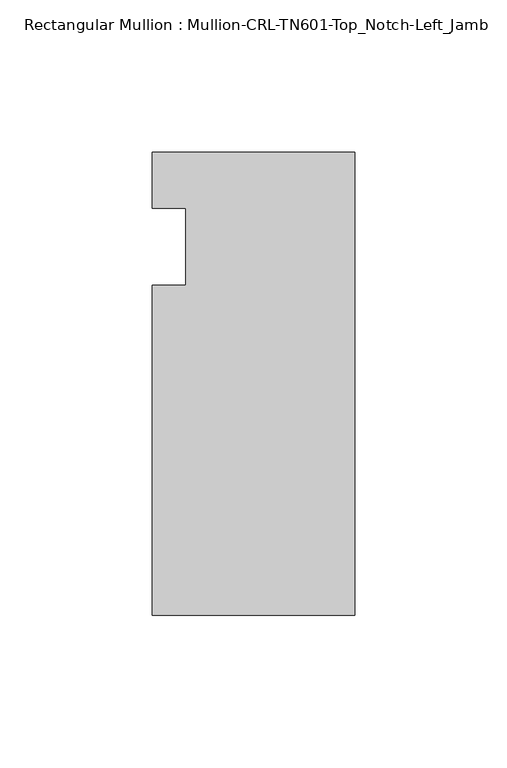
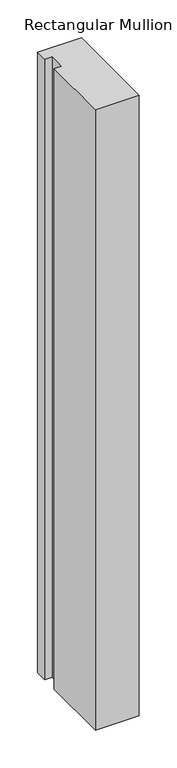
"""IFC4 building model written with IfcOpenShell, lengths in millimetres: member geometry, Rectangular Mullion : Mullion-CRL-TN601-Top_Notch-Left_Jamb."""

import ifcopenshell
import ifcopenshell.guid

model = None  # the IFC model being written
_history = None  # IfcOwnerHistory: only IFC2X3 demands one
_inside = {}  # id of a spatial element -> (the spatial element, [elements in it])
_under = {}  # id of a project, library or spatial element -> (it, [spatial elements below it])
_declared = {}  # id of a project -> (the project, [libraries it declares])
_typed = {}  # id of a type object -> (the type object, [elements of that type])
_made_of = {}  # id of a material, layer set ... -> (it, [elements and type objects made of it])


def new_model(schema):
    """Start an empty IFC model of exactly this schema.

    Asked for "IFC4X3", IfcOpenShell would pick the latest addendum, in which some entities
    have other attributes; the version numbers below select the first issue.
    IFC2X3 requires an IfcOwnerHistory on every rooted entity: one is made here for all.
    """
    global model, _history
    if schema == "IFC4X3":
        model = ifcopenshell.file(schema_version=(4, 3, 0, 0))
    else:
        model = ifcopenshell.file(schema=schema)
    _inside.clear()
    _under.clear()
    _declared.clear()
    _typed.clear()
    _made_of.clear()
    _history = None
    if model.schema == "IFC2X3":
        org = make("IfcOrganization", Name="unknown")
        user = make(
            "IfcPersonAndOrganization",
            ThePerson=make("IfcPerson", FamilyName="unknown"),
            TheOrganization=org,
        )
        app = make(
            "IfcApplication",
            ApplicationDeveloper=org,
            Version="unknown",
            ApplicationFullName="unknown",
            ApplicationIdentifier="unknown",
        )
        _history = make(
            "IfcOwnerHistory",
            OwningUser=user,
            OwningApplication=app,
            ChangeAction="ADDED",
            CreationDate=0,
        )
    return model


def make(cls, **values):
    """One entity of the class cls with the attributes given. An attribute that is None is left unset."""
    return model.create_entity(
        cls, **{name: value for name, value in values.items() if value is not None}
    )


def rooted(cls, **values):
    """An entity with a GlobalId (a new one), such as an element, a storey or a relation."""
    return make(cls, GlobalId=ifcopenshell.guid.new(), OwnerHistory=_history, **values)


def si_unit(unit_type, name, prefix=None):
    """IfcSIUnit, for example si_unit("LENGTHUNIT", "METRE", prefix="MILLI")."""
    return make("IfcSIUnit", UnitType=unit_type, Prefix=prefix, Name=name)


def assignment(units):
    """IfcUnitAssignment: the units of a project."""
    return None if units is None else make("IfcUnitAssignment", Units=units)


def point(xyz):
    """IfcCartesianPoint."""
    return None if xyz is None else make("IfcCartesianPoint", Coordinates=xyz)


def direction(xyz):
    """IfcDirection."""
    return None if xyz is None else make("IfcDirection", DirectionRatios=xyz)


def frame(location, z_axis=None, x_axis=None):
    """IfcAxis2Placement3D, a coordinate frame: its origin and axes. An axis left out is left unset."""
    return make(
        "IfcAxis2Placement3D",
        Location=point(location),
        Axis=direction(z_axis),
        RefDirection=direction(x_axis),
    )


def origin():
    """The frame at (0, 0, 0) with its axes left unset."""
    return frame((0.0, 0.0, 0.0))


def place(relative_to, where):
    """IfcLocalPlacement: puts the frame where relative to a parent placement (None: the world)."""
    return make(
        "IfcLocalPlacement", PlacementRelTo=relative_to, RelativePlacement=where
    )


def context(
    kind, dimensions, precision=None, world=None, true_north=None, identifier=None
):
    """IfcGeometricRepresentationContext, for example the 3D "Model" context."""
    return make(
        "IfcGeometricRepresentationContext",
        ContextIdentifier=identifier,
        ContextType=kind,
        CoordinateSpaceDimension=dimensions,
        Precision=precision,
        WorldCoordinateSystem=world,
        TrueNorth=true_north,
    )


def project(units=None, contexts=None):
    """IfcProject with its units and contexts."""
    return rooted(
        "IfcProject",
        Name="project",
        RepresentationContexts=contexts,
        UnitsInContext=assignment(units),
    )


def spatial(cls, under=None, at=None, **own):
    """A site, building, storey or space (cls), placed at a placement, below another one or the project."""
    s = rooted(cls, ObjectPlacement=at, **own)
    if under is not None:
        _under.setdefault(under.id(), (under, []))[1].append(s)
    return s


def polyline(points):
    """IfcPolyline through the points."""
    return make("IfcPolyline", Points=[point(p) for p in points])


def outline(outer, holes=None, kind="AREA"):
    """IfcArbitraryClosedProfileDef: a profile drawn as a closed curve; with holes, ...WithVoids."""
    if holes is None:
        return make("IfcArbitraryClosedProfileDef", ProfileType=kind, OuterCurve=outer)
    return make(
        "IfcArbitraryProfileDefWithVoids",
        ProfileType=kind,
        OuterCurve=outer,
        InnerCurves=holes,
    )


def extrude(swept, where, along, depth):
    """IfcExtrudedAreaSolid: the profile swept, set in the frame where, extruded along a direction by depth."""
    return make(
        "IfcExtrudedAreaSolid",
        SweptArea=swept,
        Position=where,
        ExtrudedDirection=direction(along),
        Depth=depth,
    )


def shape(context_of_items, identifier, shape_type, items):
    """IfcShapeRepresentation: the items that make up one representation, for example the "Body"."""
    return make(
        "IfcShapeRepresentation",
        ContextOfItems=context_of_items,
        RepresentationIdentifier=identifier,
        RepresentationType=shape_type,
        Items=items,
    )


def source(mapping_origin, context_of_items, identifier, shape_type, items):
    """IfcRepresentationMap: a shape defined once, which mapped items show again and again."""
    return make(
        "IfcRepresentationMap",
        MappingOrigin=mapping_origin,
        MappedRepresentation=shape(context_of_items, identifier, shape_type, items),
    )


def transform(
    local_origin,
    x_axis=None,
    y_axis=None,
    z_axis=None,
    scale=None,
    scale2=None,
    scale3=None,
    uniform=True,
):
    """IfcCartesianTransformationOperator3D, or its non-uniform kind. x_axis, y_axis, z_axis: its Axis1, 2, 3."""
    if uniform:
        return make(
            "IfcCartesianTransformationOperator3D",
            Axis1=direction(x_axis),
            Axis2=direction(y_axis),
            LocalOrigin=point(local_origin),
            Scale=scale,
            Axis3=direction(z_axis),
        )
    return make(
        "IfcCartesianTransformationOperator3DnonUniform",
        Axis1=direction(x_axis),
        Axis2=direction(y_axis),
        LocalOrigin=point(local_origin),
        Scale=scale,
        Axis3=direction(z_axis),
        Scale2=scale2,
        Scale3=scale3,
    )


def mapped(mapping_source, mapping_target):
    """IfcMappedItem: shows the shape of a source again, moved by a transform."""
    return make(
        "IfcMappedItem", MappingSource=mapping_source, MappingTarget=mapping_target
    )


def made_of(thing, what):
    """Note that an element or type object is made of a material, layer set ...; save() writes the relation."""
    if what is not None:
        _made_of.setdefault(what.id(), (what, []))[1].append(thing)
    return thing


def element(
    cls,
    number,
    at=None,
    inside=None,
    cuts=None,
    type_object=None,
    material=None,
    context=None,
    identifier="Body",
    shape_type=None,
    held_by="IfcProductDefinitionShape",
    body=None,
    shapes=None,
    **own,
):
    """One element of the class cls, such as IfcWall. Its Tag is "e" and its number.

    at: its placement. inside: the storey or other place that contains it. cuts: it is an
    opening in that element (IfcRelVoidsElement). A single representation is given by context,
    identifier, shape_type and body (its items); several are given by shapes. held_by: the class
    of the entity that holds the representations. save() writes the other relations.
    """
    e = rooted(cls, Tag="e%d" % number, ObjectPlacement=at, **own)
    if body is not None:
        shapes = [shape(context, identifier, shape_type, body)]
    if shapes is not None:
        e.Representation = make(held_by, Representations=shapes)
    if inside is not None:
        _inside.setdefault(inside.id(), (inside, []))[1].append(e)
    if cuts is not None:
        rooted(
            "IfcRelVoidsElement", RelatingBuildingElement=cuts, RelatedOpeningElement=e
        )
    if type_object is not None:
        _typed.setdefault(type_object.id(), (type_object, []))[1].append(e)
    return made_of(e, material)


def aggregate(whole, parts):
    """IfcRelAggregates: a whole, such as a stair, and the parts it consists of."""
    return rooted("IfcRelAggregates", RelatingObject=whole, RelatedObjects=parts)


def save(model, path):
    """Write the relations noted so far, then the file.

    IfcRelAggregates (storeys below a building ...), IfcRelContainedInSpatialStructure (elements
    in a storey), IfcRelDefinesByType, IfcRelAssociatesMaterial and IfcRelDeclares: one each for
    every whole, place, type object, material and project.
    """
    for whole, parts in _under.values():
        aggregate(whole, parts)
    for where, things in _inside.values():
        rooted(
            "IfcRelContainedInSpatialStructure",
            RelatedElements=things,
            RelatingStructure=where,
        )
    for kind, things in _typed.values():
        rooted("IfcRelDefinesByType", RelatedObjects=things, RelatingType=kind)
    for what, things in _made_of.values():
        rooted("IfcRelAssociatesMaterial", RelatedObjects=things, RelatingMaterial=what)
    for by, libraries in _declared.values():
        rooted("IfcRelDeclares", RelatingContext=by, RelatedDefinitions=libraries)
    model.write(path)


def rectangular_mullion_mullion_crl_tn601_top_notch_left_jamb_a1098c78(model_context):
    return source(origin(), model_context, "Body", "SweptSolid", [
        extrude(outline(polyline([(0.0, 31.1404), (0.0, -121.2596), (-66.675, -121.2596), (-66.675, -12.7), (-55.5549567, -12.7), (-55.5549567, 12.7), (-66.675, 12.7), (-66.675, 31.1404), (0.0, 31.1404)])), frame((0.0, 0.0, -1000.269537), z_axis=(0.0, 0.0, 1.0), x_axis=(1.0, 0.0, 0.0)), (0.0, 0.0, 1.0), 1000.269537),
    ])


if __name__ == "__main__":
    model = new_model("IFC4")
    model_context = context("Model", 3, world=origin())
    ifc_project = project(units=[si_unit("LENGTHUNIT", "METRE", prefix="MILLI")], contexts=[model_context])
    site = spatial("IfcSite", under=ifc_project)
    building = spatial("IfcBuilding", under=site)
    placement = place(None, origin())
    rectangular_mullion_mullion_crl_tn601_top_notch_left_jamb_shape = rectangular_mullion_mullion_crl_tn601_top_notch_left_jamb_a1098c78(model_context)
    element("IfcMember", 1, ObjectType="Rectangular Mullion : Mullion-CRL-TN601-Top_Notch-Left_Jamb", at=placement, inside=building, context=model_context, shape_type="MappedRepresentation", body=[
        mapped(rectangular_mullion_mullion_crl_tn601_top_notch_left_jamb_shape, transform((0.0, 0.0, 0.0), x_axis=(1.0, 0.0, 0.0), y_axis=(0.0, 1.0, 0.0), z_axis=(0.0, 0.0, 1.0))),
    ])
    save(model, "model.ifc")
